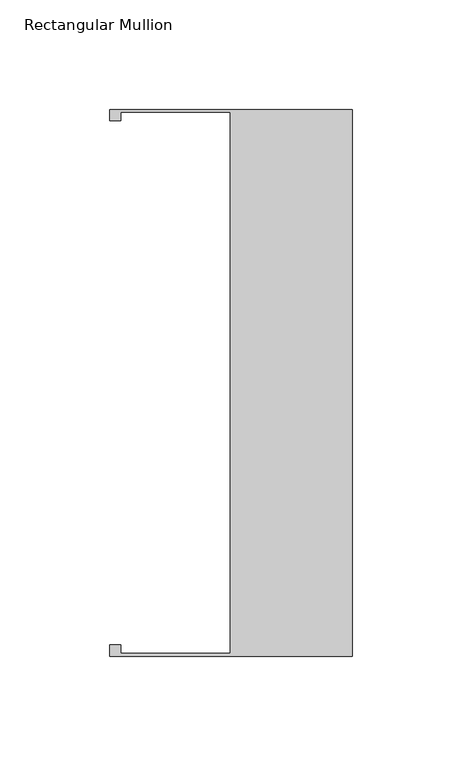
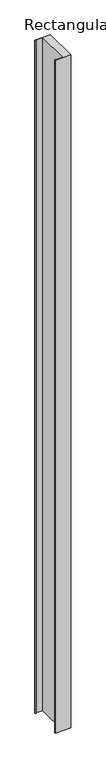
"""IFC4 building model written with IfcOpenShell, lengths in millimetres: member geometry, Rectangular Mullion."""

from ifc_helpers import new_model, si_unit, frame, origin, place, context, project, spatial, polyline, outline, extrude, source, transform, mapped, element, save


def rectangular_mullion_1f731552(model_context):
    return source(origin(), model_context, "Body", "SweptSolid", [
        extrude(outline(polyline([(0.0, -124.8667969), (-110.744, -124.8667969), (-110.744, -119.7943077), (-105.664, -119.7943077), (-105.664, -123.5967969), (-55.739, -123.5967969), (-55.739, 123.5964503), (-105.664, 123.5964503), (-105.664, 119.7944503), (-110.744, 119.7944503), (-110.744, 124.8667969), (0.0, 124.8667969), (0.0, -124.8667969)])), frame((0.0, 0.0, -5080.0), z_axis=(0.0, 0.0, 1.0), x_axis=(1.0, 0.0, 0.0)), (0.0, 0.0, 1.0), 5080.0),
    ])


if __name__ == "__main__":
    model = new_model("IFC4")
    model_context = context("Model", 3, world=origin())
    ifc_project = project(units=[si_unit("LENGTHUNIT", "METRE", prefix="MILLI")], contexts=[model_context])
    site = spatial("IfcSite", under=ifc_project)
    building = spatial("IfcBuilding", under=site)
    placement = place(None, origin())
    rectangular_mullion_shape = rectangular_mullion_1f731552(model_context)
    element("IfcMember", 1, ObjectType="Rectangular Mullion", at=placement, inside=building, context=model_context, shape_type="MappedRepresentation", body=[
        mapped(rectangular_mullion_shape, transform((0.0, 0.0, 0.0), x_axis=(1.0, 0.0, 0.0), y_axis=(0.0, 1.0, 0.0), z_axis=(0.0, 0.0, 1.0))),
    ])
    save(model, "model.ifc")
